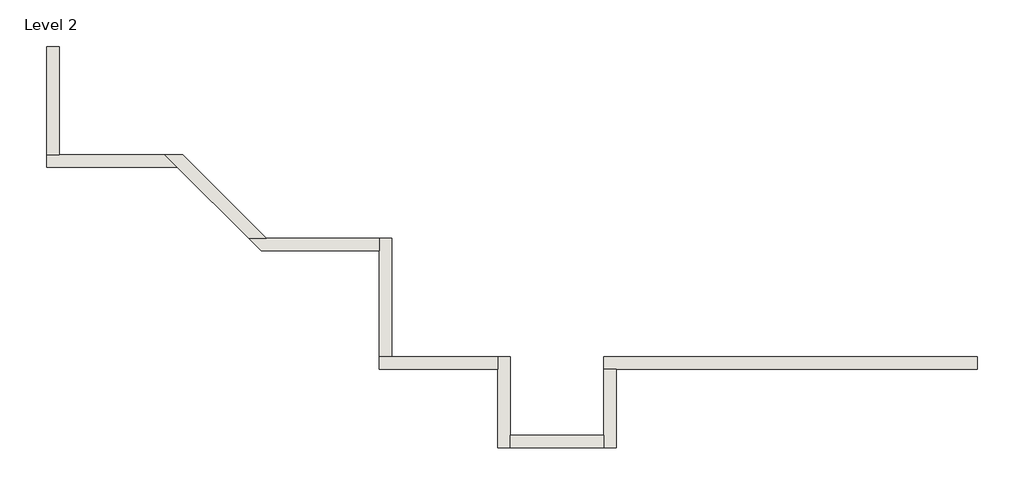
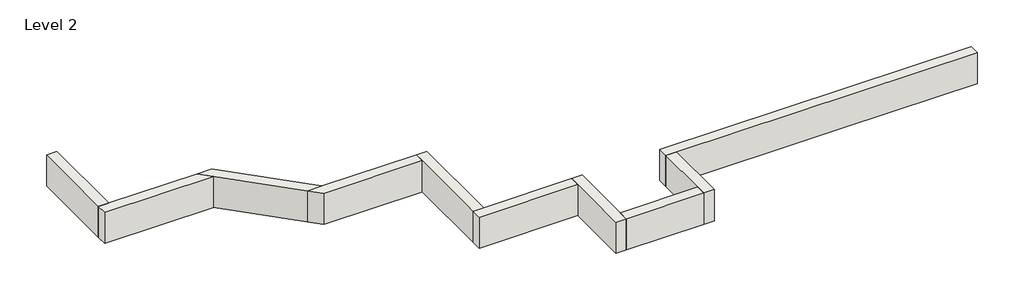
# One storey: 10 walls.
"""IFC4 building model written with IfcOpenShell, lengths in millimetres."""

from ifc_helpers import new_model, si_unit, frame, origin, place, context, project, spatial, polyline, outline, extrude, faceted_brep, element, save

model = new_model("IFC4")

# Units and contexts
model_context = context("Model", 3, world=origin())
ifc_project = project(units=[si_unit("LENGTHUNIT", "METRE", prefix="MILLI")], contexts=[model_context])

# Site, building, storey
site = spatial("IfcSite", under=ifc_project)
building = spatial("IfcBuilding", under=site)
storey = spatial("IfcBuildingStorey", under=building, Name="Level 2", Elevation=3048.0)

# Walls
placement = place(None, origin())
element("IfcWall", 1, ObjectType="Generic - 8\" Brick", at=placement, inside=storey, context=model_context, shape_type="Brep", body=[
    faceted_brep([(7411.995357, 1412.8726187, 3048.0), (6705.557857, 1412.8726187, 3048.0), (4876.757857, 1412.8726187, 3048.0), (3657.557857, 1412.8726187, 3048.0), (1635.0852383, 1412.8726187, 3048.0), (1635.0852383, 1412.8726187, 3657.6), (7411.995357, 1412.8726187, 3657.6), (7411.995357, 1219.1976187, 3048.0), (7411.995357, 1219.1976187, 3657.6), (1828.7602383, 1219.1976187, 3657.6), (1635.0852383, 1219.1976187, 3657.6), (1635.0852383, 1219.1976187, 3048.0), (1828.7602383, 1219.1976187, 3048.0), (3657.557857, 1219.1976187, 3048.0), (4876.757857, 1219.1976187, 3048.0), (6705.557857, 1219.1976187, 3048.0)], [[[0, 1, 2, 3, 4, 5, 6]], [[7, 8, 9, 10, 11, 12, 13, 14, 15]], [[4, 3, 2, 1, 0, 7, 15, 14, 13, 12, 11]], [[6, 5, 10, 9, 8]], [[0, 6, 8, 7]], [[5, 4, 11, 10]]]),
])
element("IfcWall", 2, ObjectType="Generic - 8\" Brick", at=placement, inside=storey, context=model_context, shape_type="Brep", body=[
    faceted_brep([(1635.0852383, 1219.1976187, 3048.0), (1635.0852383, 193.675, 3048.0), (1635.0852383, 0.0, 3048.0), (1635.0852383, 0.0, 3657.6), (1635.0852383, 193.675, 3657.6), (1635.0852383, 1219.1976187, 3657.6), (1828.7602383, 1219.1976187, 3048.0), (1828.7602383, 1219.1976187, 3657.6), (1828.7602383, 0.0, 3657.6), (1828.7602383, 0.0, 3048.0)], [[[0, 1, 2, 3, 4, 5]], [[6, 7, 8, 9]], [[2, 1, 0, 6, 9]], [[5, 4, 3, 8, 7]], [[0, 5, 7, 6]], [[3, 2, 9, 8]]]),
])
element("IfcWall", 3, ObjectType="Generic - 8\" Brick", at=placement, inside=storey, context=model_context, shape_type="SweptSolid", body=[
    extrude(outline(polyline([(193.632857, 193.675), (1635.0852383, 193.675), (1635.0852383, 0.0), (193.632857, 0.0), (193.632857, 193.675)])), frame((0.0, 0.0, 3048.0), z_axis=(0.0, 0.0, 1.0), x_axis=(1.0, 0.0, 0.0)), (0.0, 0.0, 1.0), 609.6),
])
element("IfcWall", 4, ObjectType="Generic - 8\" Brick", at=placement, inside=storey, context=model_context, shape_type="Brep", body=[
    faceted_brep([(193.632857, 0.0, 3048.0), (193.632857, 193.675, 3048.0), (193.632857, 1412.8726187, 3048.0), (193.632857, 1412.8726187, 3657.6), (193.632857, 193.675, 3657.6), (193.632857, 0.0, 3657.6), (-0.042143, 0.0, 3048.0), (-0.042143, 0.0, 3657.6), (-0.042143, 1219.1976187, 3657.6), (-0.042143, 1412.8726187, 3657.6), (-0.042143, 1412.8726187, 3048.0), (-0.042143, 1219.1976187, 3048.0)], [[[0, 1, 2, 3, 4, 5]], [[6, 7, 8, 9, 10, 11]], [[2, 1, 0, 6, 11, 10]], [[5, 4, 3, 9, 8, 7]], [[0, 5, 7, 6]], [[3, 2, 10, 9]]]),
])
element("IfcWall", 5, ObjectType="Generic - 8\" Brick", at=placement, inside=storey, context=model_context, shape_type="Brep", body=[
    faceted_brep([(-0.042143, 1412.8726187, 3048.0), (-1635.135393, 1412.8726187, 3048.0), (-1828.810393, 1412.8726187, 3048.0), (-1828.810393, 1412.8726187, 3657.6), (-1635.135393, 1412.8726187, 3657.6), (-0.042143, 1412.8726187, 3657.6), (-0.042143, 1219.1976187, 3048.0), (-0.042143, 1219.1976187, 3657.6), (-1828.810393, 1219.1976187, 3657.6), (-1828.810393, 1219.1976187, 3048.0)], [[[0, 1, 2, 3, 4, 5]], [[6, 7, 8, 9]], [[2, 1, 0, 6, 9]], [[5, 4, 3, 8, 7]], [[0, 5, 7, 6]], [[3, 2, 9, 8]]]),
])
element("IfcWall", 6, ObjectType="Generic - 8\" Brick", at=placement, inside=storey, context=model_context, shape_type="Brep", body=[
    faceted_brep([(-1635.135393, 1412.8726187, 3048.0), (-1635.135393, 3241.6590504, 3048.0), (-1635.135393, 3241.6590504, 3657.6), (-1635.135393, 1412.8726187, 3657.6), (-1828.810393, 1412.8726187, 3048.0), (-1828.810393, 1412.8726187, 3657.6), (-1828.810393, 3047.9840504, 3657.6), (-1828.810393, 3241.6590504, 3657.6), (-1828.810393, 3241.6590504, 3048.0), (-1828.810393, 3047.9840504, 3048.0)], [[[0, 1, 2, 3]], [[4, 5, 6, 7, 8, 9]], [[1, 0, 4, 9, 8]], [[3, 2, 7, 6, 5]], [[0, 3, 5, 4]], [[2, 1, 8, 7]]]),
])
element("IfcWall", 7, ObjectType="Generic - 8\" Brick", at=placement, inside=storey, context=model_context, shape_type="Brep", body=[
    faceted_brep([(-1828.810393, 3241.6590504, 3048.0), (-3577.3749143, 3241.6590504, 3048.0), (-3851.272726, 3241.6590504, 3048.0), (-3851.272726, 3241.6590504, 3657.6), (-3577.3749143, 3241.6590504, 3657.6), (-1828.810393, 3241.6590504, 3657.6), (-1828.810393, 3047.9840504, 3048.0), (-1828.810393, 3047.9840504, 3657.6), (-3657.597726, 3047.9840504, 3657.6), (-3657.597726, 3047.9840504, 3048.0)], [[[0, 1, 2, 3, 4, 5]], [[6, 7, 8, 9]], [[2, 1, 0, 6, 9]], [[5, 4, 3, 8, 7]], [[0, 5, 7, 6]], [[3, 2, 9, 8]]]),
])
element("IfcWall", 8, ObjectType="Generic - 8\" Brick", at=placement, inside=storey, context=model_context, shape_type="Brep", body=[
    faceted_brep([(-3577.3749143, 3241.6590504, 3048.0), (-4870.4863099, 4534.7704459, 3048.0), (-4870.4863099, 4534.7704459, 3657.6), (-3577.3749143, 3241.6590504, 3657.6), (-3851.272726, 3241.6590504, 3048.0), (-3851.272726, 3241.6590504, 3657.6), (-4950.7091215, 4341.0954459, 3657.6), (-5144.3841215, 4534.7704459, 3657.6), (-5144.3841215, 4534.7704459, 3048.0), (-4950.7091215, 4341.0954459, 3048.0)], [[[0, 1, 2, 3]], [[4, 5, 6, 7, 8, 9]], [[1, 0, 4, 9, 8]], [[3, 2, 7, 6, 5]], [[0, 3, 5, 4]], [[2, 1, 8, 7]]]),
])
element("IfcWall", 9, ObjectType="Generic - 8\" Brick", at=placement, inside=storey, context=model_context, shape_type="Brep", body=[
    faceted_brep([(-5144.3841215, 4534.7704459, 3048.0), (-6779.5226153, 4534.7704459, 3048.0), (-6973.1976153, 4534.7704459, 3048.0), (-6973.1976153, 4534.7704459, 3657.6), (-6779.5226153, 4534.7704459, 3657.6), (-5144.3841215, 4534.7704459, 3657.6), (-4950.7091215, 4341.0954459, 3048.0), (-4950.7091215, 4341.0954459, 3657.6), (-6973.1976153, 4341.0954459, 3657.6), (-6973.1976153, 4341.0954459, 3048.0)], [[[0, 1, 2, 3, 4, 5]], [[6, 7, 8, 9]], [[2, 1, 0, 6, 9]], [[5, 4, 3, 8, 7]], [[0, 5, 7, 6]], [[3, 2, 9, 8]]]),
])
element("IfcWall", 10, ObjectType="Generic - 8\" Brick", at=placement, inside=storey, context=model_context, shape_type="SweptSolid", body=[
    extrude(outline(polyline([(-6779.5226153, 6203.020993), (-6779.5226153, 4534.7704459), (-6973.1976153, 4534.7704459), (-6973.1976153, 6203.020993), (-6779.5226153, 6203.020993)])), frame((0.0, 0.0, 3048.0), z_axis=(0.0, 0.0, 1.0), x_axis=(1.0, 0.0, 0.0)), (0.0, 0.0, 1.0), 609.6),
])

save(model, "model.ifc")
